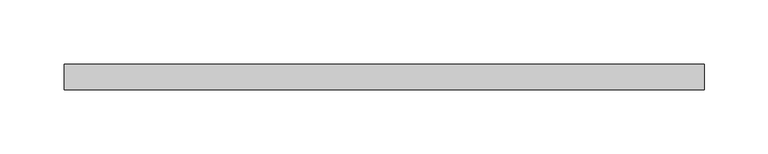
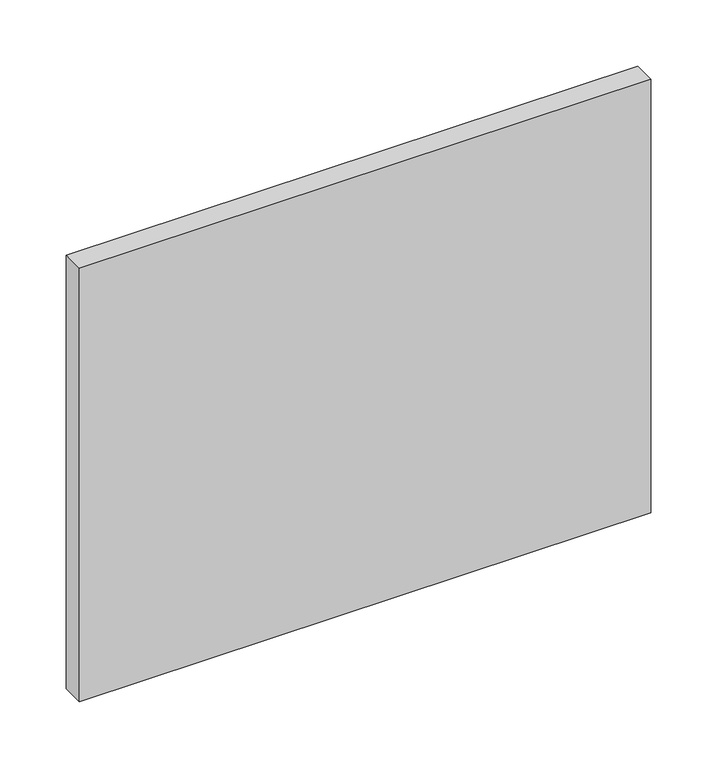
"""IFC4 building model written with IfcOpenShell, lengths in millimetres: plate geometry."""

from ifc_helpers import new_model, si_unit, origin, origin_with_axes, place, context, project, spatial, polyline, outline, extrude, source, transform, mapped, element, save


def plate_c824d711(model_context):
    return source(origin(), model_context, "Body", "SweptSolid", [
        extrude(outline(polyline([(250.0, 70.0), (-250.0, 70.0), (-250.0, 90.0), (250.0, 90.0), (250.0, 70.0)])), origin_with_axes(), (0.0, 0.0, 1.0), 400.8552083),
    ])


if __name__ == "__main__":
    model = new_model("IFC4")
    model_context = context("Model", 3, world=origin())
    ifc_project = project(units=[si_unit("LENGTHUNIT", "METRE", prefix="MILLI")], contexts=[model_context])
    site = spatial("IfcSite", under=ifc_project)
    building = spatial("IfcBuilding", under=site)
    placement = place(None, origin())
    plate_shape = plate_c824d711(model_context)
    element("IfcPlate", 1, at=placement, inside=building, context=model_context, shape_type="MappedRepresentation", body=[
        mapped(plate_shape, transform((0.0, 0.0, 0.0), x_axis=(1.0, 0.0, 0.0), y_axis=(0.0, 1.0, 0.0), z_axis=(0.0, 0.0, 1.0))),
    ])
    save(model, "model.ifc")
